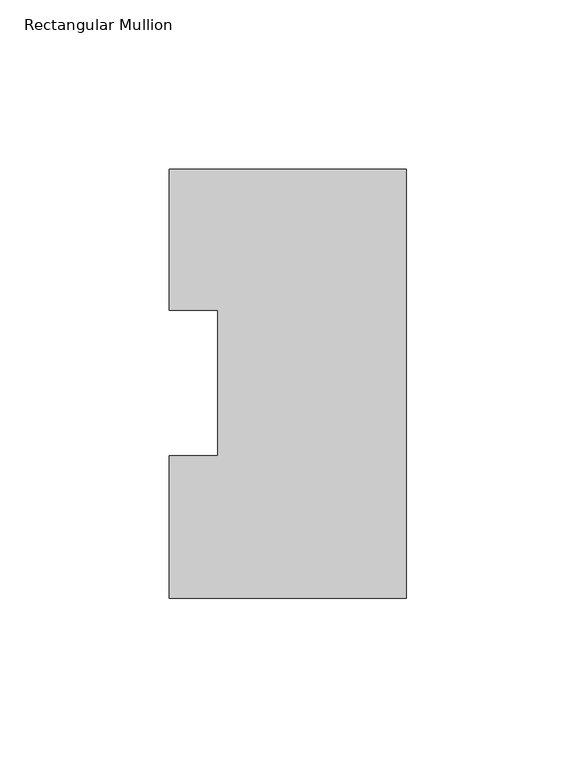
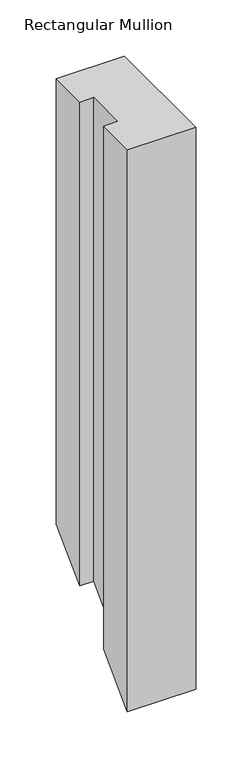
"""IFC4 building model written with IfcOpenShell, lengths in millimetres: member geometry, Rectangular Mullion."""

from ifc_helpers import new_model, si_unit, origin, place, context, project, spatial, faceted_brep, source, transform, mapped, element, save


def rectangular_mullion_a714b7c8(model_context):
    return source(origin(), model_context, "Body", "Brep", [
        faceted_brep([(-69.85, 0.04445, 0.0), (0.0, 0.04445, 0.0), (0.0, 126.53645, 0.0), (-69.85, 126.53645, 0.0), (-69.85, 84.93125, 0.0), (-55.5625, 84.93125, 0.0), (-55.5625, 42.08145, 0.0), (-69.85, 42.08145, 0.0), (-55.5625, 84.93125, -524.66875), (-55.5625, 42.08145, -567.51855), (-69.85, 84.93125, -524.66875), (-69.85, 126.53645, -483.06355), (0.0, 126.53645, -483.06355), (0.0, 0.04445, -609.55555), (-69.85, 42.08145, -567.51855), (-69.85, 0.04445, -609.55555)], [[[0, 1, 2, 3, 4, 5, 6, 7]], [[6, 5, 8, 9]], [[5, 4, 10, 8]], [[4, 3, 11, 10]], [[3, 2, 12, 11]], [[2, 1, 13, 12]], [[7, 6, 9, 14]], [[1, 0, 15, 13]], [[0, 7, 14, 15]], [[15, 14, 9, 8, 10, 11, 12, 13]]]),
    ])


if __name__ == "__main__":
    model = new_model("IFC4")
    model_context = context("Model", 3, world=origin())
    ifc_project = project(units=[si_unit("LENGTHUNIT", "METRE", prefix="MILLI")], contexts=[model_context])
    site = spatial("IfcSite", under=ifc_project)
    building = spatial("IfcBuilding", under=site)
    placement = place(None, origin())
    rectangular_mullion_shape = rectangular_mullion_a714b7c8(model_context)
    element("IfcMember", 1, ObjectType="Rectangular Mullion", at=placement, inside=building, context=model_context, shape_type="MappedRepresentation", body=[
        mapped(rectangular_mullion_shape, transform((0.0, 0.0, 0.0), x_axis=(1.0, 0.0, 0.0), y_axis=(0.0, 1.0, 0.0), z_axis=(0.0, 0.0, 1.0))),
    ])
    save(model, "model.ifc")
